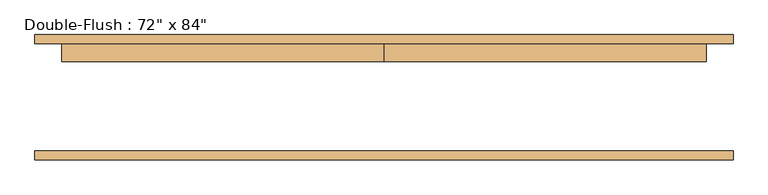
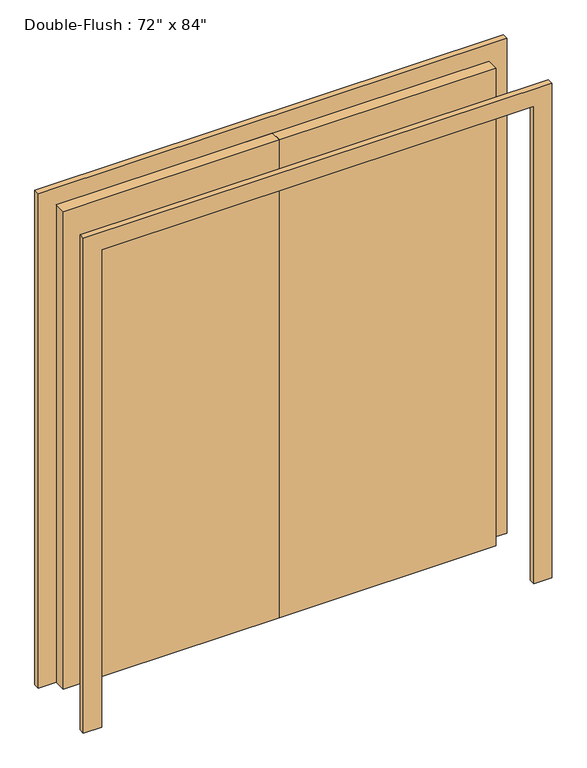
"""IFC4 building model written with IfcOpenShell, lengths in millimetres: door geometry."""

from ifc_helpers import new_model, si_unit, frame, origin, origin_with_axes, place, context, project, spatial, polyline, outline, extrude, source, transform, mapped, element, save


def door_9ab6f8fe(model_context):
    return source(origin(), model_context, "Body", "SweptSolid", [
        extrude(outline(polyline([(0.0, 152.4), (914.4, 152.4), (914.4, 101.6), (0.0, 101.6), (0.0, 152.4)])), origin_with_axes(), (0.0, 0.0, 1.0), 2133.6),
        extrude(outline(polyline([(-914.4, 152.4), (0.0, 152.4), (0.0, 101.6), (-914.4, 101.6), (-914.4, 152.4)])), origin_with_axes(), (0.0, 0.0, 1.0), 2133.6),
        extrude(outline(polyline([(2133.6, -914.4), (2133.6, 914.4), (0.0, 914.4), (0.0, 990.6), (2209.8, 990.6), (2209.8, -990.6), (0.0, -990.6), (0.0, -914.4), (2133.6, -914.4)])), frame((0.0, -177.8, 0.0), z_axis=(0.0, 1.0, 0.0), x_axis=(0.0, 0.0, 1.0)), (0.0, 0.0, 1.0), 25.4),
        extrude(outline(polyline([(2133.6, -914.4), (2133.6, 914.4), (0.0, 914.4), (0.0, 990.6), (2209.8, 990.6), (2209.8, -990.6), (0.0, -990.6), (0.0, -914.4), (2133.6, -914.4)])), frame((0.0, 152.4, 0.0), z_axis=(0.0, 1.0, 0.0), x_axis=(0.0, 0.0, 1.0)), (0.0, 0.0, 1.0), 25.4),
    ])


if __name__ == "__main__":
    model = new_model("IFC4")
    model_context = context("Model", 3, world=origin())
    ifc_project = project(units=[si_unit("LENGTHUNIT", "METRE", prefix="MILLI")], contexts=[model_context])
    site = spatial("IfcSite", under=ifc_project)
    building = spatial("IfcBuilding", under=site)
    placement = place(None, origin())
    door_shape = door_9ab6f8fe(model_context)
    element("IfcDoor", 1, ObjectType="Double-Flush : 72\" x 84\"", at=placement, inside=building, context=model_context, shape_type="MappedRepresentation", body=[
        mapped(door_shape, transform((0.0, 0.0, 0.0), x_axis=(1.0, 0.0, 0.0), y_axis=(0.0, 1.0, 0.0), z_axis=(0.0, 0.0, 1.0))),
    ])
    save(model, "model.ifc")
